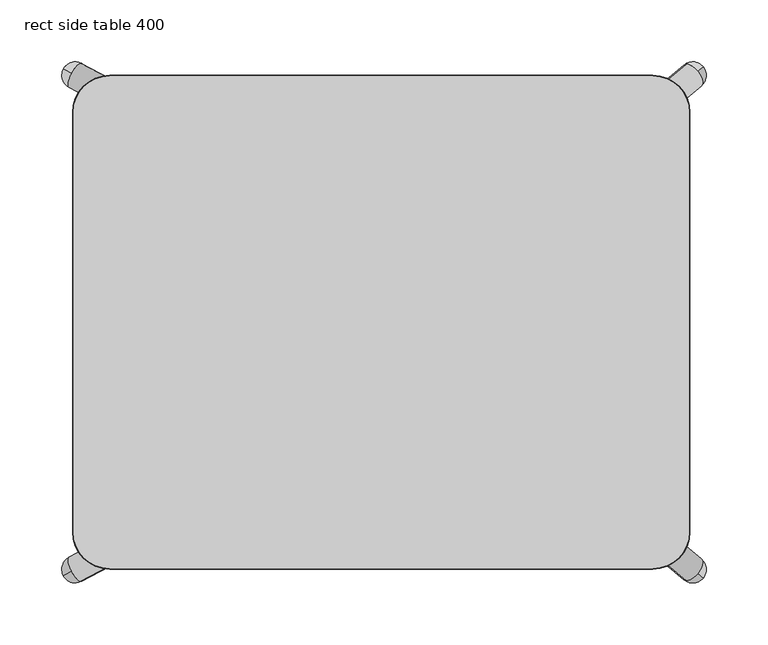
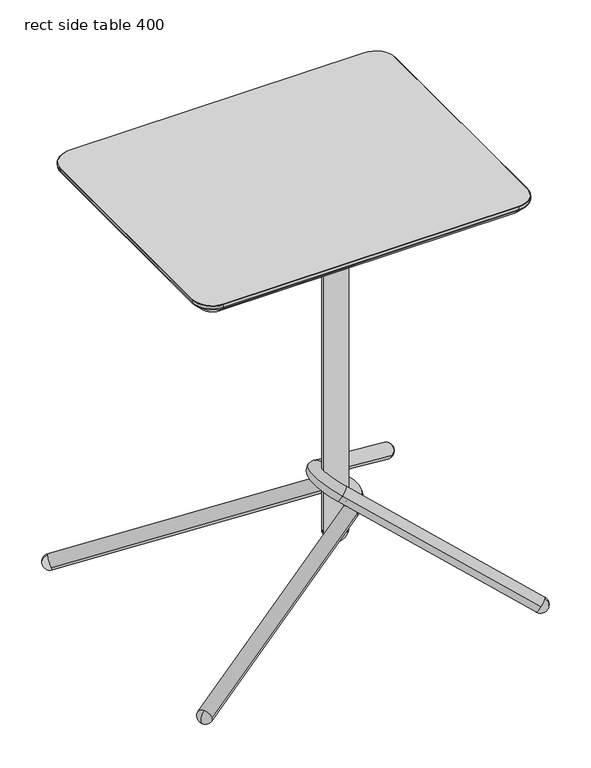
"""IFC4 building model written with IfcOpenShell, lengths in millimetres: furniture geometry, rect side table 400."""

from ifc_helpers import new_model, si_unit, point, frame, origin, place, context, project, spatial, polyline, circle_curve, ellipse_curve, trimmed, source, transform, mapped, element, save
from ifc_brep_helpers import plane_surface, cylinder_surface, revolved_surface, advanced_brep


def rect_side_table_400_bf187e21(model_context):
    return source(origin(), model_context, "Body", "AdvancedBrep", [
        advanced_brep(
        [(120.000041, 49.9999974, 631.9999893), (-39.999964, 49.9999974, 631.9999893), (-49.999964, 39.9999974, 631.9999893), (-49.999964, -40.0000034, 631.9999893), (-39.999964, -50.0000034, 631.9999893), (120.000041, -50.0000034, 631.9999893), (130.000041, -40.0000034, 631.9999893), (130.000041, 39.9999974, 631.9999893), (-47.4693331, 40.0000112, 631.9999893), (-32.5306167, 40.0000112, 631.9999893), (-47.4693331, -40.0000112, 631.9999893), (-32.5306167, -40.0000112, 631.9999893), (127.46941, 40.0000112, 631.9999893), (112.5306936, 40.0000112, 631.9999893), (127.46941, -40.0000112, 631.9999893), (112.5306936, -40.0000112, 631.9999893), (47.4693967, 40.0000112, 631.9999893), (32.5306803, 40.0000112, 631.9999893), (47.4693967, -40.0000112, 631.9999893), (32.5306803, -40.0000112, 631.9999893), (120.000041, 49.9999974, 627.0000038), (130.000041, 39.9999974, 627.0000038), (130.000041, -40.0000034, 627.0000038), (120.000041, -50.0000034, 627.0000038), (-39.999964, -50.0000034, 627.0000038), (-49.999964, -40.0000034, 627.0000038), (-49.999964, 39.9999974, 627.0000038), (-39.999964, 49.9999974, 627.0000038), (-47.4693331, 40.0000112, 627.0000038), (-32.5306167, 40.0000112, 627.0000038), (-47.4693331, -40.0000112, 627.0000038), (-32.5306167, -40.0000112, 627.0000038), (127.46941, 40.0000112, 627.0000038), (112.5306936, 40.0000112, 627.0000038), (127.46941, -40.0000112, 627.0000038), (112.5306936, -40.0000112, 627.0000038), (47.4693967, 40.0000112, 627.0000038), (32.5306803, 40.0000112, 627.0000038), (47.4693967, -40.0000112, 627.0000038), (32.5306803, -40.0000112, 627.0000038), (78.7484697, 0.0, 627.0000038), (43.7484682, 0.0, 627.0000038), (78.7484697, 0.0, 76.9999996), (43.7484682, 0.0, 76.9999996), (61.2484689, 0.0, 59.4999989)],
        [
            (0, 1),
            (1, 2, circle_curve(frame((-39.999964, 39.9999974, 631.9999893), z_axis=(0.0, 0.0, 1.0), x_axis=(1.0, 0.0, 0.0)), 10.0)),
            (2, 3),
            (3, 4, circle_curve(frame((-39.999964, -40.0000034, 631.9999893), z_axis=(0.0, 0.0, 1.0), x_axis=(1.0, 0.0, 0.0)), 10.0)),
            (4, 5),
            (5, 6, circle_curve(frame((120.000041, -40.0000034, 631.9999893), z_axis=(0.0, 0.0, 1.0), x_axis=(1.0, 0.0, 0.0)), 10.0)),
            (6, 7),
            (7, 0, circle_curve(frame((120.000041, 39.9999974, 631.9999893), z_axis=(0.0, 0.0, 1.0), x_axis=(1.0, 0.0, 0.0)), 10.0)),
            (8, 9, circle_curve(frame((-39.9999749, 40.0000112, 631.9999893), z_axis=(0.0, 0.0, -1.0), x_axis=(1.0, 0.0, 0.0)), 7.4693582)),
            (9, 8, circle_curve(frame((-39.9999749, 40.0000112, 631.9999893), z_axis=(0.0, 0.0, -1.0), x_axis=(1.0, 0.0, 0.0)), 7.4693582)),
            (10, 11, circle_curve(frame((-39.9999749, -40.0000112, 631.9999893), z_axis=(0.0, 0.0, -1.0), x_axis=(1.0, 0.0, 0.0)), 7.4693582)),
            (11, 10, circle_curve(frame((-39.9999749, -40.0000112, 631.9999893), z_axis=(0.0, 0.0, -1.0), x_axis=(1.0, 0.0, 0.0)), 7.4693582)),
            (12, 13, circle_curve(frame((120.0000518, 40.0000112, 631.9999893), z_axis=(0.0, 0.0, -1.0), x_axis=(-1.0, 0.0, 0.0)), 7.4693582)),
            (13, 12, circle_curve(frame((120.0000518, 40.0000112, 631.9999893), z_axis=(0.0, 0.0, -1.0), x_axis=(-1.0, 0.0, 0.0)), 7.4693582)),
            (14, 15, circle_curve(frame((120.0000518, -40.0000112, 631.9999893), z_axis=(0.0, 0.0, -1.0), x_axis=(-1.0, 0.0, 0.0)), 7.4693582)),
            (15, 14, circle_curve(frame((120.0000518, -40.0000112, 631.9999893), z_axis=(0.0, 0.0, -1.0), x_axis=(-1.0, 0.0, 0.0)), 7.4693582)),
            (16, 17, circle_curve(frame((40.0000385, 40.0000112, 631.9999893), z_axis=(0.0, 0.0, -1.0), x_axis=(-1.0, 0.0, 0.0)), 7.4693582)),
            (17, 16, circle_curve(frame((40.0000385, 40.0000112, 631.9999893), z_axis=(0.0, 0.0, -1.0), x_axis=(-1.0, 0.0, 0.0)), 7.4693582)),
            (18, 19, circle_curve(frame((40.0000385, -40.0000112, 631.9999893), z_axis=(0.0, 0.0, -1.0), x_axis=(-1.0, 0.0, 0.0)), 7.4693582)),
            (19, 18, circle_curve(frame((40.0000385, -40.0000112, 631.9999893), z_axis=(0.0, 0.0, -1.0), x_axis=(-1.0, 0.0, 0.0)), 7.4693582)),
            (20, 21, circle_curve(frame((120.000041, 39.9999974, 627.0000038), z_axis=(0.0, 0.0, -1.0), x_axis=(1.0, 0.0, 0.0)), 10.0)),
            (21, 22),
            (22, 23, circle_curve(frame((120.000041, -40.0000034, 627.0000038), z_axis=(0.0, 0.0, -1.0), x_axis=(1.0, 0.0, 0.0)), 10.0)),
            (23, 24),
            (24, 25, circle_curve(frame((-39.999964, -40.0000034, 627.0000038), z_axis=(0.0, 0.0, -1.0), x_axis=(1.0, 0.0, 0.0)), 10.0)),
            (25, 26),
            (26, 27, circle_curve(frame((-39.999964, 39.9999974, 627.0000038), z_axis=(0.0, 0.0, -1.0), x_axis=(1.0, 0.0, 0.0)), 10.0)),
            (27, 20),
            (28, 29, circle_curve(frame((-39.9999749, 40.0000112, 627.0000038), z_axis=(0.0, 0.0, 1.0), x_axis=(1.0, 0.0, 0.0)), 7.4693582)),
            (29, 28, circle_curve(frame((-39.9999749, 40.0000112, 627.0000038), z_axis=(0.0, 0.0, 1.0), x_axis=(1.0, 0.0, 0.0)), 7.4693582)),
            (30, 31, circle_curve(frame((-39.9999749, -40.0000112, 627.0000038), z_axis=(0.0, 0.0, 1.0), x_axis=(1.0, 0.0, 0.0)), 7.4693582)),
            (31, 30, circle_curve(frame((-39.9999749, -40.0000112, 627.0000038), z_axis=(0.0, 0.0, 1.0), x_axis=(1.0, 0.0, 0.0)), 7.4693582)),
            (32, 33, circle_curve(frame((120.0000518, 40.0000112, 627.0000038), z_axis=(0.0, 0.0, 1.0), x_axis=(-1.0, 0.0, 0.0)), 7.4693582)),
            (33, 32, circle_curve(frame((120.0000518, 40.0000112, 627.0000038), z_axis=(0.0, 0.0, 1.0), x_axis=(-1.0, 0.0, 0.0)), 7.4693582)),
            (34, 35, circle_curve(frame((120.0000518, -40.0000112, 627.0000038), z_axis=(0.0, 0.0, 1.0), x_axis=(-1.0, 0.0, 0.0)), 7.4693582)),
            (35, 34, circle_curve(frame((120.0000518, -40.0000112, 627.0000038), z_axis=(0.0, 0.0, 1.0), x_axis=(-1.0, 0.0, 0.0)), 7.4693582)),
            (36, 37, circle_curve(frame((40.0000385, 40.0000112, 627.0000038), z_axis=(0.0, 0.0, 1.0), x_axis=(-1.0, 0.0, 0.0)), 7.4693582)),
            (37, 36, circle_curve(frame((40.0000385, 40.0000112, 627.0000038), z_axis=(0.0, 0.0, 1.0), x_axis=(-1.0, 0.0, 0.0)), 7.4693582)),
            (38, 39, circle_curve(frame((40.0000385, -40.0000112, 627.0000038), z_axis=(0.0, 0.0, 1.0), x_axis=(-1.0, 0.0, 0.0)), 7.4693582)),
            (39, 38, circle_curve(frame((40.0000385, -40.0000112, 627.0000038), z_axis=(0.0, 0.0, 1.0), x_axis=(-1.0, 0.0, 0.0)), 7.4693582)),
            (40, 41, circle_curve(frame((61.2484689, 0.0, 627.0000038), z_axis=(0.0, 0.0, 1.0), x_axis=(-1.0, 0.0, 0.0)), 17.5000007)),
            (41, 40, circle_curve(frame((61.2484689, 0.0, 627.0000038), z_axis=(0.0, 0.0, 1.0), x_axis=(-1.0, 0.0, 0.0)), 17.5000007)),
            (0, 20),
            (27, 1),
            (26, 2),
            (25, 3),
            (24, 4),
            (23, 5),
            (22, 6),
            (21, 7),
            (8, 28),
            (29, 9),
            (10, 30),
            (31, 11),
            (12, 32),
            (33, 13),
            (14, 34),
            (35, 15),
            (16, 36),
            (37, 17),
            (18, 38),
            (39, 19),
            (42, 43, circle_curve(frame((61.2484689, 0.0, 76.9999996), z_axis=(0.0, 0.0, 1.0), x_axis=(-1.0, 0.0, 0.0)), 17.5000007)),
            (43, 41),
            (40, 42),
            (43, 42, circle_curve(frame((61.2484689, 0.0, 76.9999996), z_axis=(0.0, 0.0, 1.0), x_axis=(-1.0, 0.0, 0.0)), 17.5000007)),
            (42, 44, circle_curve(frame((61.2484689, 0.0, 76.9999996), z_axis=(0.0, 1.0, 0.0), x_axis=(-1.0, 0.0, 0.0)), 17.5000007)),
            (44, 43, circle_curve(frame((61.2484689, 0.0, 76.9999996), z_axis=(0.0, 1.0, 0.0), x_axis=(1.0, 0.0, 0.0)), 17.5000007)),
        ],
        [
            plane_surface(frame((-39.9999628, 49.9999974, 631.9999893), z_axis=(0.0, 0.0, 1.0), x_axis=(-1.0, 0.0, 0.0))),
            plane_surface(frame((-39.9999628, 49.9999974, 627.0000038), z_axis=(0.0, 0.0, -1.0), x_axis=(1.0, 0.0, 0.0))),
            plane_surface(frame((120.000041, 49.9999974, 631.9999893), z_axis=(0.0, 1.0, 0.0), x_axis=(0.0, 0.0, -1.0))),
            cylinder_surface(frame((-39.999964, 39.9999974, 627.0000038), z_axis=(0.0, 0.0, 1.0), x_axis=(1.0, 0.0, 0.0)), 10.0),
            plane_surface(frame((-49.999964, 39.9999974, 631.9999893), z_axis=(-1.0, 0.0, 0.0), x_axis=(0.0, 0.0, -1.0))),
            cylinder_surface(frame((-39.999964, -40.0000034, 627.0000038), z_axis=(0.0, 0.0, 1.0), x_axis=(1.0, 0.0, 0.0)), 10.0),
            plane_surface(frame((-39.999964, -50.0000034, 631.9999893), z_axis=(0.0, -1.0, 0.0), x_axis=(0.0, 0.0, -1.0))),
            cylinder_surface(frame((120.000041, -40.0000034, 627.0000038), z_axis=(0.0, 0.0, 1.0), x_axis=(1.0, 0.0, 0.0)), 10.0),
            plane_surface(frame((130.000041, -40.0000034, 631.9999893), z_axis=(1.0, 0.0, 0.0), x_axis=(0.0, 0.0, -1.0))),
            cylinder_surface(frame((120.000041, 39.9999974, 627.0000038), z_axis=(0.0, 0.0, 1.0), x_axis=(1.0, 0.0, 0.0)), 10.0),
            revolved_surface(polyline([(-32.530616699999996, 40.0000112, 627.0000038), (-32.530616699999996, 40.0000112, 631.9999893)]), (-39.9999749, 40.0000112, 0.0), (0.0, 0.0, -1.0)),
            revolved_surface(polyline([(-32.530616699999996, -40.0000112, 627.0000038), (-32.530616699999996, -40.0000112, 631.9999893)]), (-39.9999749, -40.0000112, 0.0), (0.0, 0.0, -1.0)),
            revolved_surface(polyline([(112.53069359999999, 40.0000112, 627.0000038), (112.53069359999999, 40.0000112, 631.9999893)]), (120.0000518, 40.0000112, 0.0), (0.0, 0.0, -1.0)),
            revolved_surface(polyline([(112.53069359999999, -40.0000112, 627.0000038), (112.53069359999999, -40.0000112, 631.9999893)]), (120.0000518, -40.0000112, 0.0), (0.0, 0.0, -1.0)),
            revolved_surface(polyline([(32.5306803, 40.0000112, 627.0000038), (32.5306803, 40.0000112, 631.9999893)]), (40.0000385, 40.0000112, 0.0), (0.0, 0.0, -1.0)),
            revolved_surface(polyline([(32.5306803, -40.0000112, 627.0000038), (32.5306803, -40.0000112, 631.9999893)]), (40.0000385, -40.0000112, 0.0), (0.0, 0.0, -1.0)),
            cylinder_surface(frame((61.2484689, 0.0, 68.2499992), z_axis=(0.0, 0.0, -1.0), x_axis=(-1.0, 0.0, 0.0)), 17.5000007),
            revolved_surface(trimmed(ellipse_curve(frame((61.2484689, 0.0, 76.9999996), z_axis=(0.0, -1.0, 0.0), x_axis=(1.0, 0.0, 0.0)), 17.5000007, 17.5000007), [point((43.7484682, 0.0, 76.9999996))], [point((61.2484689, 0.0, 59.4999989))], True, "CARTESIAN"), (61.2484689, 0.0, 68.2499992), (0.0, 0.0, -1.0)),
        ],
        [
            (0, [[1, 2, 3, 4, 5, 6, 7, 8], [9, 10], [11, 12], [13, 14], [15, 16], [17, 18], [19, 20]]),
            (1, [[21, 22, 23, 24, 25, 26, 27, 28], [29, 30], [31, 32], [33, 34], [35, 36], [37, 38], [39, 40], [41, 42]]),
            (2, [[-1, 43, -28, 44]]),
            (3, [[-2, -44, -27, 45]]),
            (4, [[-3, -45, -26, 46]]),
            (5, [[-4, -46, -25, 47]]),
            (6, [[-5, -47, -24, 48]]),
            (7, [[-6, -48, -23, 49]]),
            (8, [[-7, -49, -22, 50]]),
            (9, [[-8, -50, -21, -43]]),
            (10, [[-9, 51, -30, 52]]),
            (10, [[-10, -52, -29, -51]]),
            (11, [[-11, 53, -32, 54]]),
            (11, [[-12, -54, -31, -53]]),
            (12, [[-13, 55, -34, 56]]),
            (12, [[-14, -56, -33, -55]]),
            (13, [[-15, 57, -36, 58]]),
            (13, [[-16, -58, -35, -57]]),
            (14, [[-17, 59, -38, 60]]),
            (14, [[-18, -60, -37, -59]]),
            (15, [[-19, 61, -40, 62]]),
            (15, [[-20, -62, -39, -61]]),
            (16, [[63, 64, -41, 65]]),
            (16, [[66, -65, -42, -64]]),
            (17, [[-63, 67, 68]]),
            (17, [[-66, -68, -67]]),
        ],
    ),
        advanced_brep(
        [(58.7468351, 25.9816516, 122.5540056), (67.9302472, 45.69187, 125.8964943), (-243.1827803, 209.8487928, 12.6606128), (-250.7555988, 201.5666496, 21.4602207), (-252.3661924, 190.1385743, 9.3181241), (-244.7933739, 198.4207175, 0.5185162), (58.7468351, -25.9816516, 122.5540056), (67.9302472, -45.69187, 125.8964943), (-252.3661924, -190.1385743, 9.3181241), (-250.7555988, -201.5666496, 21.4602207), (-243.1827803, -209.8487928, 12.6606128), (-244.7933739, -198.4207175, 0.5185162), (-257.0352597, 204.8800751, 7.6187226), (-257.0352597, -204.8800751, 7.6187226)],
        [
            (0, 1, circle_curve(frame((63.3385411, 35.8367608, 124.22525), z_axis=(-0.8418884918336852, 0.4442174127144383, -0.3064223515987259), x_axis=(0.41742782475236617, 0.8959190199126763, 0.15193130316434977)), 11.0)),
            (1, 2),
            (2, 3, circle_curve(frame((-247.7744863, 199.9936836, 10.9893685), z_axis=(0.8418884918336852, -0.4442174127144383, 0.3064223515987259), x_axis=(0.41742782475236617, 0.8959190199126763, 0.15193130316434977)), 11.0)),
            (3, 4, circle_curve(frame((-247.7744863, 199.9936836, 10.9893685), z_axis=(0.8418884918336852, -0.4442174127144383, 0.3064223515987259), x_axis=(0.41742782475236617, 0.8959190199126763, 0.15193130316434977)), 11.0)),
            (4, 0),
            (1, 0, circle_curve(frame((63.3385411, 35.8367608, 124.22525), z_axis=(-0.8418884918336852, 0.4442174127144383, -0.3064223515987259), x_axis=(0.41742782475236617, 0.8959190199126763, 0.15193130316434977)), 11.0)),
            (4, 5, circle_curve(frame((-247.7744863, 199.9936836, 10.9893685), z_axis=(0.8418884918336852, -0.4442174127144383, 0.3064223515987259), x_axis=(0.41742782475236617, 0.8959190199126763, 0.15193130316434977)), 11.0)),
            (5, 2, circle_curve(frame((-247.7744863, 199.9936836, 10.9893685), z_axis=(0.8418884918336852, -0.4442174127144383, 0.3064223515987259), x_axis=(0.41742782475236617, 0.8959190199126763, 0.15193130316434977)), 11.0)),
            (0, 6, circle_curve(frame((46.6414281, 0.0, 118.1479978), z_axis=(0.3420201433256684, 0.0, -0.9396926207859085), x_axis=(0.4174278247523651, 0.8959190199126768, 0.1519313031643494)), 29.0)),
            (6, 7, circle_curve(frame((63.3385411, -35.8367608, 124.22525), z_axis=(0.8418884918336889, 0.4442174127144305, 0.30642235159872766), x_axis=(0.41742782475235873, -0.8959190199126802, 0.15193130316434714)), 11.0)),
            (7, 1, circle_curve(frame((46.6414281, 0.0, 118.1479978), z_axis=(-0.3420201433256684, 0.0, 0.9396926207859085), x_axis=(0.4174278247523651, 0.8959190199126768, 0.1519313031643494)), 51.0)),
            (7, 6, circle_curve(frame((63.3385411, -35.8367608, 124.22525), z_axis=(0.841888491833687, 0.44421741271443393, 0.306422351598727), x_axis=(0.417427824752362, -0.8959190199126783, 0.1519313031643483)), 11.0)),
            (6, 8),
            (8, 9, circle_curve(frame((-247.7744863, -199.9936836, 10.9893685), z_axis=(0.8418884918336853, 0.44421741271443815, 0.3064223515987258), x_axis=(0.41742782475236606, -0.8959190199126764, 0.15193130316434972)), 11.0)),
            (9, 10, circle_curve(frame((-247.7744863, -199.9936836, 10.9893685), z_axis=(0.8418884918336853, 0.44421741271443815, 0.3064223515987258), x_axis=(0.41742782475236606, -0.8959190199126764, 0.15193130316434972)), 11.0)),
            (10, 7),
            (10, 11, circle_curve(frame((-247.7744863, -199.9936836, 10.9893685), z_axis=(0.8418884918336853, 0.44421741271443815, 0.3064223515987258), x_axis=(0.41742782475236606, -0.8959190199126764, 0.15193130316434972)), 11.0)),
            (11, 8, circle_curve(frame((-247.7744863, -199.9936836, 10.9893685), z_axis=(0.8418884918336853, 0.44421741271443815, 0.3064223515987258), x_axis=(0.41742782475236606, -0.8959190199126764, 0.15193130316434972)), 11.0)),
            (12, 5, circle_curve(frame((-247.7744863, 199.9936836, 10.9893685), z_axis=(-0.4666660776258308, -0.8844335882322211, 0.0), x_axis=(0.8418884918336792, -0.44421741271453985, 0.30642235159859543)), 11.0)),
            (3, 12, circle_curve(frame((-247.7744863, 199.9936836, 10.9893685), z_axis=(-0.46666607762566853, -0.8844335882323068, 0.0), x_axis=(0.8418884918336927, -0.44421741271433024, 0.3064223515988622)), 11.0)),
            (11, 13, circle_curve(frame((-247.7744863, -199.9936836, 10.9893685), z_axis=(-0.4666660776258308, 0.8844335882322211, 0.0), x_axis=(0.8418884918336792, 0.44421741271453985, 0.30642235159859543)), 11.0)),
            (13, 9, circle_curve(frame((-247.7744863, -199.9936836, 10.9893685), z_axis=(-0.46666607762566853, 0.8844335882323068, 0.0), x_axis=(0.8418884918336927, 0.44421741271433024, 0.3064223515988622)), 11.0)),
        ],
        [
            cylinder_surface(frame((-277.9675281, 215.9248609, 0.0), z_axis=(-0.8418884918336854, 0.44421741271443843, -0.30642235159872594), x_axis=(0.41742782475236617, 0.8959190199126763, 0.15193130316434977)), 11.0),
            revolved_surface(trimmed(ellipse_curve(frame((63.3385411, 35.8367608, 124.22525), z_axis=(-0.8418884918336861, 0.444217412714437, -0.30642235159872566), x_axis=(0.41742782475236484, 0.8959190199126769, 0.15193130316434933)), 11.0, 11.0), [point((58.7468351, 25.9816516, 122.5540056))], [point((67.9302472, 45.69187, 125.8964943))], True, "CARTESIAN"), (46.6414281, 0.0, 118.1479978), (0.3420201433256684, 0.0, -0.9396926207859085)),
            revolved_surface(trimmed(ellipse_curve(frame((63.3385411, 35.8367608, 124.22525), z_axis=(-0.8418884918336861, 0.444217412714437, -0.30642235159872566), x_axis=(0.41742782475236484, 0.8959190199126769, 0.15193130316434933)), 11.0, 11.0), [point((67.9302472, 45.69187, 125.8964943))], [point((58.7468351, 25.9816516, 122.5540056))], True, "CARTESIAN"), (46.6414281, 0.0, 118.1479978), (0.3420201433256684, 0.0, -0.9396926207859085)),
            cylinder_surface(frame((63.3385411, -35.8367608, 124.22525), z_axis=(0.8418884918336855, 0.44421741271443826, 0.30642235159872583), x_axis=(0.41742782475236606, -0.8959190199126764, 0.15193130316434972)), 11.0),
            revolved_surface(trimmed(ellipse_curve(frame((-247.7744863, 199.9936836, 10.9893685), z_axis=(0.46666607762566853, 0.8844335882323068, 0.0), x_axis=(0.8418884918336927, -0.44421741271433024, 0.3064223515988622)), 11.0, 11.0), [point((-257.0352597, 204.8800751, 7.6187226))], [point((-250.7555988, 201.5666496, 21.4602207))], True, "CARTESIAN"), (-251.664601, 202.0462792, 9.5734825), (0.841888491833686, -0.44421741271443504, 0.3064223515987288)),
            revolved_surface(trimmed(ellipse_curve(frame((-247.7744863, 199.9936836, 10.9893685), z_axis=(0.46666607762566586, 0.8844335882323081, 0.0), x_axis=(0.8418884918336942, -0.4442174127143274, 0.3064223515988622)), 11.0, 11.0), [point((-257.0352597, 204.8800751, 7.6187226))], [point((-250.7555988, 201.5666496, 21.4602207))], True, "CARTESIAN"), (-251.664601, 202.0462792, 9.5734825), (0.841888491833686, -0.44421741271443504, 0.3064223515987288)),
            revolved_surface(trimmed(ellipse_curve(frame((-247.7744863, -199.9936836, 10.9893685), z_axis=(0.46666607762566853, -0.8844335882323068, 0.0), x_axis=(0.8418884918336927, 0.44421741271433024, 0.3064223515988622)), 11.0, 11.0), [point((-250.7555988, -201.5666496, 21.4602207))], [point((-257.0352597, -204.8800751, 7.6187226))], True, "CARTESIAN"), (-251.664601, -202.0462792, 9.5734825), (-0.841888491833686, -0.44421741271443504, -0.3064223515987288)),
            revolved_surface(trimmed(ellipse_curve(frame((-247.7744863, -199.9936836, 10.9893685), z_axis=(0.46666607762566586, -0.8844335882323081, 0.0), x_axis=(0.8418884918336942, 0.4442174127143274, 0.3064223515988622)), 11.0, 11.0), [point((-250.7555988, -201.5666496, 21.4602207))], [point((-257.0352597, -204.8800751, 7.6187226))], True, "CARTESIAN"), (-251.664601, -202.0462792, 9.5734825), (-0.841888491833686, -0.44421741271443504, -0.3064223515987288)),
        ],
        [
            (0, [[1, 2, 3, 4, 5]]),
            (0, [[6, -5, 7, 8, -2]]),
            (1, [[-1, 9, 10, 11]]),
            (2, [[-6, -11, 12, -9]]),
            (3, [[-10, 13, 14, 15, 16]]),
            (3, [[-12, -16, 17, 18, -13]]),
            (4, [[19, -7, -4, 20]]),
            (5, [[-19, -20, -3, -8]]),
            (6, [[21, 22, -14, -18]]),
            (7, [[-21, -17, -15, -22]]),
        ],
    ),
        advanced_brep(
        [(57.5144405, 23.9910848, 150.6373501), (47.4708105, 42.1912168, 157.8401753), (247.2031924, 209.1000136, 14.6013824), (248.155534, 196.5992426, 1.3628234), (257.2468224, 190.8998816, 7.3985572), (256.2944809, 203.4006527, 20.6371162), (57.5144414, -23.9910822, 150.6373494), (47.4708121, -42.1912148, 157.8401741), (257.2468303, -190.8998679, 7.3985515), (248.1555419, -196.5992292, 1.3628176), (247.203201, -209.1000005, 14.6013763), (256.2944894, -203.4006392, 20.6371102), (259.6200001, -206.1796424, 5.6966243), (259.6199917, 206.1796563, 5.6966303)],
        [
            (0, 1, circle_curve(frame((52.4926255, 33.0911508, 154.2387627), z_axis=(0.6722712955826541, 0.5617916936357265, -0.4821217668779558), x_axis=(-0.45652863681473854, 0.8272787274926765, 0.3274011466170734)), 11.0)),
            (1, 2),
            (2, 3, circle_curve(frame((252.2250074, 199.9999476, 10.9999698), z_axis=(-0.6722712955826541, -0.5617916936357265, 0.4821217668779558), x_axis=(-0.45652863681473854, 0.8272787274926765, 0.3274011466170734)), 11.0)),
            (3, 4, circle_curve(frame((252.2250074, 199.9999476, 10.9999698), z_axis=(-0.6722712955826541, -0.5617916936357265, 0.4821217668779558), x_axis=(-0.45652863681473854, 0.8272787274926765, 0.3274011466170734)), 11.0)),
            (4, 0),
            (1, 0, circle_curve(frame((52.4926255, 33.0911508, 154.2387627), z_axis=(0.6722712955826541, 0.5617916936357265, -0.4821217668779558), x_axis=(-0.45652863681473854, 0.8272787274926765, 0.3274011466170734)), 11.0)),
            (4, 5, circle_curve(frame((252.2250074, 199.9999476, 10.9999698), z_axis=(-0.6722712955826541, -0.5617916936357265, 0.4821217668779558), x_axis=(-0.45652863681473854, 0.8272787274926765, 0.3274011466170734)), 11.0)),
            (5, 2, circle_curve(frame((252.2250074, 199.9999476, 10.9999698), z_axis=(-0.6722712955826541, -0.5617916936357265, 0.4821217668779558), x_axis=(-0.45652863681473854, 0.8272787274926765, 0.3274011466170734)), 11.0)),
            (0, 6, circle_curve(frame((70.753771, 1.7e-06, 141.1427168), z_axis=(0.5827803264556007, 0.0, 0.8126297380088324), x_axis=(-0.45652863681474215, 0.8272787274926735, 0.32740114661707603)), 29.0)),
            (6, 7, circle_curve(frame((52.4926268, -33.0911485, 154.2387618), z_axis=(-0.6722713171214564, 0.5617916546051102, 0.48212178232458525), x_axis=(-0.4565286050972992, -0.8272787539977398, 0.3274011238707981)), 11.0)),
            (7, 1, circle_curve(frame((70.753771, 1.7e-06, 141.1427168), z_axis=(-0.5827803264556007, 0.0, -0.8126297380088324), x_axis=(-0.45652863681474215, 0.8272787274926735, 0.32740114661707603)), 51.0)),
            (7, 6, circle_curve(frame((52.4926268, -33.0911485, 154.2387618), z_axis=(-0.6722713171214549, 0.5617916546051127, 0.48212178232458425), x_axis=(-0.4565286050973013, -0.8272787539977379, 0.32740112387079956)), 11.0)),
            (6, 8),
            (8, 9, circle_curve(frame((252.2250156, -199.9999342, 10.9999639), z_axis=(-0.6722713171214557, 0.5617916546051115, 0.4821217823245848), x_axis=(-0.4565286050973002, -0.8272787539977388, 0.32740112387079884)), 11.0)),
            (9, 10, circle_curve(frame((252.2250156, -199.9999342, 10.9999639), z_axis=(-0.6722713171214557, 0.5617916546051115, 0.4821217823245848), x_axis=(-0.4565286050973002, -0.8272787539977388, 0.32740112387079884)), 11.0)),
            (10, 7),
            (10, 11, circle_curve(frame((252.2250156, -199.9999342, 10.9999639), z_axis=(-0.6722713171214557, 0.5617916546051115, 0.4821217823245848), x_axis=(-0.4565286050973002, -0.8272787539977388, 0.32740112387079884)), 11.0)),
            (11, 8, circle_curve(frame((252.2250156, -199.9999342, 10.9999639), z_axis=(-0.6722713171214557, 0.5617916546051115, 0.4821217823245848), x_axis=(-0.4565286050973002, -0.8272787539977388, 0.32740112387079884)), 11.0)),
            (9, 12, circle_curve(frame((252.2250156, -199.9999342, 10.9999639), z_axis=(-0.6412383916308873, -0.767341726415704, 0.0), x_axis=(0.6722713171215189, -0.5617916546050328, -0.48212178232458835)), 11.0)),
            (12, 11, circle_curve(frame((252.2250156, -199.9999342, 10.9999639), z_axis=(-0.6412383916310288, -0.7673417264155857, 0.0), x_axis=(0.6722713171213788, -0.5617916546051875, -0.4821217823246031)), 11.0)),
            (13, 3, circle_curve(frame((252.2250074, 199.9999476, 10.9999698), z_axis=(-0.6412384299595647, 0.7673416943858795, 0.0), x_axis=(0.3699521735068246, 0.30915503827734025, 0.8761041899370832)), 11.0)),
            (5, 13, circle_curve(frame((252.2250074, 199.9999476, 10.9999698), z_axis=(-0.6412384299596456, 0.7673416943858119, 0.0), x_axis=(-0.36995209348604097, -0.30915497140700227, -0.8761042473242733)), 11.0)),
        ],
        [
            cylinder_surface(frame((267.5633813, 212.8176466, 0.0), z_axis=(0.6722712955826541, 0.5617916936357265, -0.4821217668779558), x_axis=(-0.45652863681473854, 0.8272787274926765, 0.3274011466170734)), 11.0),
            revolved_surface(trimmed(ellipse_curve(frame((52.4926255, 33.0911508, 154.2387627), z_axis=(0.6722712955826515, 0.5617916936357309, -0.4821217668779542), x_axis=(-0.4565286368147422, 0.8272787274926735, 0.3274011466170759)), 11.0, 11.0), [point((57.5144405, 23.9910848, 150.6373501))], [point((47.4708105, 42.1912168, 157.8401753))], True, "CARTESIAN"), (70.753771, 1.7e-06, 141.1427168), (0.5827803264556007, 0.0, 0.8126297380088324)),
            revolved_surface(trimmed(ellipse_curve(frame((52.4926255, 33.0911508, 154.2387627), z_axis=(0.6722712955826515, 0.5617916936357309, -0.4821217668779542), x_axis=(-0.4565286368147422, 0.8272787274926735, 0.3274011466170759)), 11.0, 11.0), [point((47.4708105, 42.1912168, 157.8401753))], [point((57.5144405, 23.9910848, 150.6373501))], True, "CARTESIAN"), (70.753771, 1.7e-06, 141.1427168), (0.5827803264556007, 0.0, 0.8126297380088324)),
            cylinder_surface(frame((52.4926268, -33.0911485, 154.2387618), z_axis=(-0.6722713171214557, 0.5617916546051115, 0.4821217823245848), x_axis=(-0.4565286050973002, -0.8272787539977388, 0.32740112387079884)), 11.0),
            revolved_surface(trimmed(ellipse_curve(frame((252.2250156, -199.9999342, 10.9999639), z_axis=(0.6412383916310288, 0.7673417264155857, 0.0), x_axis=(0.6722713171213788, -0.5617916546051875, -0.4821217823246031)), 11.0, 11.0), [point((256.2944894, -203.4006392, 20.6371102))], [point((259.6200001, -206.1796424, 5.6966243))], True, "CARTESIAN"), (265.0520868, -210.7190313, 1.8009838), (0.6722713171214488, -0.5617916546051102, -0.48212178232459574)),
            revolved_surface(trimmed(ellipse_curve(frame((252.2250156, -199.9999342, 10.9999639), z_axis=(0.641238391631031, 0.7673417264155838, 0.0), x_axis=(0.6722713171213767, -0.5617916546051902, -0.4821217823246031)), 11.0, 11.0), [point((256.2944894, -203.4006392, 20.6371102))], [point((259.6200001, -206.1796424, 5.6966243))], True, "CARTESIAN"), (265.0520868, -210.7190313, 1.8009838), (0.6722713171214488, -0.5617916546051102, -0.48212178232459574)),
            revolved_surface(trimmed(ellipse_curve(frame((252.2250074, 199.9999476, 10.9999698), z_axis=(0.6412384299596456, -0.7673416943858119, 0.0), x_axis=(-0.36995209348604097, -0.30915497140700227, -0.8761042473242733)), 11.0, 11.0), [point((259.6199917, 206.1796563, 5.6966303))], [point((256.2944809, 203.4006527, 20.6371162))], True, "CARTESIAN"), (267.5633813, 212.8176466, 0.0), (-0.6722712955826509, -0.5617916936357265, 0.48212176687796016)),
            revolved_surface(trimmed(ellipse_curve(frame((252.2250074, 199.9999476, 10.9999698), z_axis=(0.641238429959647, -0.7673416943858108, 0.0), x_axis=(-0.36995209348604097, -0.30915497140700227, -0.8761042473242733)), 11.0, 11.0), [point((259.6199917, 206.1796563, 5.6966303))], [point((256.2944809, 203.4006527, 20.6371162))], True, "CARTESIAN"), (267.5633813, 212.8176466, 0.0), (-0.6722712955826509, -0.5617916936357265, 0.48212176687796016)),
        ],
        [
            (0, [[1, 2, 3, 4, 5]]),
            (0, [[6, -5, 7, 8, -2]]),
            (1, [[-1, 9, 10, 11]]),
            (2, [[-6, -11, 12, -9]]),
            (3, [[-10, 13, 14, 15, 16]]),
            (3, [[-12, -16, 17, 18, -13]]),
            (4, [[19, 20, -17, -15]]),
            (5, [[-19, -14, -18, -20]]),
            (6, [[21, -3, -8, 22]]),
            (7, [[-21, -22, -7, -4]]),
        ],
    ),
        advanced_brep(
        [(-220.0, 199.4417767, 650.0), (-249.4417767, 170.0, 650.0), (-249.4417767, -170.0, 650.0), (-220.0, -199.4417767, 650.0), (220.0, -199.4417767, 650.0), (249.4417767, -170.0, 650.0), (249.4417767, 170.0, 650.0), (220.0, 199.4417767, 650.0), (-237.9999573, 170.0, 631.9999893), (-220.0, 187.9999573, 631.9999893), (220.0, 187.9999573, 631.9999893), (237.9999573, 170.0, 631.9999893), (237.9999573, -170.0, 631.9999893), (220.0, -187.9999573, 631.9999893), (-220.0, -187.9999573, 631.9999893), (-237.9999573, -170.0, 631.9999893), (-250.0, 170.0, 649.4417767), (-220.0, 200.0, 649.4417767), (-249.3493468, 170.0, 643.3493788), (-220.0, 199.3493468, 643.3493788), (-250.0, -170.0, 649.4417767), (-249.3493468, -170.0, 643.3493788), (-220.0, -200.0, 649.4417767), (-220.0, -199.3493468, 643.3493788), (220.0, -200.0, 649.4417767), (220.0, -199.3493468, 643.3493788), (250.0, -170.0, 649.4417767), (249.3493468, -170.0, 643.3493788), (250.0, 170.0, 649.4417767), (249.3493468, 170.0, 643.3493788), (220.0, 200.0, 649.4417767), (220.0, 199.3493468, 643.3493788), (-250.0, 170.0, 644.9201946), (-220.0, 200.0, 644.9201946), (-250.0, -170.0, 644.9201946), (-220.0, -200.0, 644.9201946), (220.0, -200.0, 644.9201946), (250.0, -170.0, 644.9201946), (250.0, 170.0, 644.9201946), (220.0, 200.0, 644.9201946)],
        [
            (0, 1, circle_curve(frame((-220.0, 170.0, 650.0), z_axis=(0.0, 0.0, 1.0), x_axis=(0.0, 1.0, 0.0)), 29.4417767)),
            (1, 2),
            (2, 3, circle_curve(frame((-220.0, -170.0, 650.0), z_axis=(0.0, 0.0, 1.0), x_axis=(-1.0, 0.0, 0.0)), 29.4417767)),
            (3, 4),
            (4, 5, circle_curve(frame((220.0, -170.0, 650.0), z_axis=(0.0, 0.0, 1.0), x_axis=(0.0, -1.0, 0.0)), 29.4417767)),
            (5, 6),
            (6, 7, circle_curve(frame((220.0, 170.0, 650.0), z_axis=(0.0, 0.0, 1.0), x_axis=(1.0, 0.0, 0.0)), 29.4417767)),
            (7, 0),
            (8, 9, circle_curve(frame((-220.0, 170.0, 631.9999893), z_axis=(0.0, 0.0, -1.0), x_axis=(0.0, 1.0, 0.0)), 17.9999573)),
            (9, 10),
            (10, 11, circle_curve(frame((220.0, 170.0, 631.9999893), z_axis=(0.0, 0.0, -1.0), x_axis=(1.0, 0.0, 0.0)), 17.9999573)),
            (11, 12),
            (12, 13, circle_curve(frame((220.0, -170.0, 631.9999893), z_axis=(0.0, 0.0, -1.0), x_axis=(0.0, -1.0, 0.0)), 17.9999573)),
            (13, 14),
            (14, 15, circle_curve(frame((-220.0, -170.0, 631.9999893), z_axis=(0.0, 0.0, -1.0), x_axis=(-1.0, 0.0, 0.0)), 17.9999573)),
            (15, 8),
            (16, 1),
            (0, 17),
            (17, 16, circle_curve(frame((-220.0, 170.0, 649.4417767), z_axis=(0.0, 0.0, 1.0), x_axis=(0.0, 1.0, 0.0)), 30.0)),
            (8, 18),
            (18, 19, circle_curve(frame((-220.0, 170.0, 643.3493788), z_axis=(0.0, 0.0, -1.0), x_axis=(0.0, 1.0, 0.0)), 29.3493468)),
            (19, 9),
            (16, 20),
            (20, 2),
            (15, 21),
            (21, 18),
            (20, 22, circle_curve(frame((-220.0, -170.0, 649.4417767), z_axis=(0.0, 0.0, 1.0), x_axis=(-1.0, 0.0, 0.0)), 30.0)),
            (22, 3),
            (14, 23),
            (23, 21, circle_curve(frame((-220.0, -170.0, 643.3493788), z_axis=(0.0, 0.0, -1.0), x_axis=(-1.0, 0.0, 0.0)), 29.3493468)),
            (22, 24),
            (24, 4),
            (13, 25),
            (25, 23),
            (24, 26, circle_curve(frame((220.0, -170.0, 649.4417767), z_axis=(0.0, 0.0, 1.0), x_axis=(0.0, -1.0, 0.0)), 30.0)),
            (26, 5),
            (12, 27),
            (27, 25, circle_curve(frame((220.0, -170.0, 643.3493788), z_axis=(0.0, 0.0, -1.0), x_axis=(0.0, -1.0, 0.0)), 29.3493468)),
            (26, 28),
            (28, 6),
            (11, 29),
            (29, 27),
            (28, 30, circle_curve(frame((220.0, 170.0, 649.4417767), z_axis=(0.0, 0.0, 1.0), x_axis=(1.0, 0.0, 0.0)), 30.0)),
            (30, 7),
            (10, 31),
            (31, 29, circle_curve(frame((220.0, 170.0, 643.3493788), z_axis=(0.0, 0.0, -1.0), x_axis=(1.0, 0.0, 0.0)), 29.3493468)),
            (30, 17),
            (19, 31),
            (18, 32, circle_curve(frame((-247.778531, 170.0, 644.9201946), z_axis=(0.0, 1.0, 0.0), x_axis=(1.0, 0.0, 0.0)), 2.221469)),
            (32, 33, circle_curve(frame((-220.0, 170.0, 644.9201946), z_axis=(0.0, 0.0, -1.0), x_axis=(0.0, 1.0, 0.0)), 30.0)),
            (33, 19, circle_curve(frame((-220.0, 197.778531, 644.9201946), z_axis=(-1.0, 0.0, 0.0), x_axis=(0.0, -1.0, 0.0)), 2.221469)),
            (21, 34, circle_curve(frame((-247.778531, -170.0, 644.9201946), z_axis=(0.0, 1.0, 0.0), x_axis=(1.0, 0.0, 0.0)), 2.221469)),
            (34, 32),
            (23, 35, circle_curve(frame((-220.0, -197.778531, 644.9201946), z_axis=(-1.0, 0.0, 0.0), x_axis=(0.0, 1.0, 0.0)), 2.221469)),
            (35, 34, circle_curve(frame((-220.0, -170.0, 644.9201946), z_axis=(0.0, 0.0, -1.0), x_axis=(-1.0, 0.0, 0.0)), 30.0)),
            (25, 36, circle_curve(frame((220.0, -197.778531, 644.9201946), z_axis=(-1.0, 0.0, 0.0), x_axis=(0.0, 1.0, 0.0)), 2.221469)),
            (36, 35),
            (27, 37, circle_curve(frame((247.778531, -170.0, 644.9201946), z_axis=(0.0, -1.0, 0.0), x_axis=(-1.0, 0.0, 0.0)), 2.221469)),
            (37, 36, circle_curve(frame((220.0, -170.0, 644.9201946), z_axis=(0.0, 0.0, -1.0), x_axis=(0.0, -1.0, 0.0)), 30.0)),
            (29, 38, circle_curve(frame((247.778531, 170.0, 644.9201946), z_axis=(0.0, -1.0, 0.0), x_axis=(-1.0, 0.0, 0.0)), 2.221469)),
            (38, 37),
            (31, 39, circle_curve(frame((220.0, 197.778531, 644.9201946), z_axis=(1.0, 0.0, 0.0), x_axis=(0.0, -1.0, 0.0)), 2.221469)),
            (39, 38, circle_curve(frame((220.0, 170.0, 644.9201946), z_axis=(0.0, 0.0, -1.0), x_axis=(1.0, 0.0, 0.0)), 30.0)),
            (33, 39),
            (22, 35),
            (36, 24),
            (37, 26),
            (38, 28),
            (39, 30),
            (33, 17),
            (32, 16),
            (34, 20),
        ],
        [
            plane_surface(frame((2000.0, -200.0, 650.0), z_axis=(0.0, 0.0, 1.0), x_axis=(1.0, 0.0, 0.0))),
            plane_surface(frame((2000.0, -200.0, 631.9999893), z_axis=(0.0, 0.0, -1.0), x_axis=(-1.0, 0.0, 0.0))),
            revolved_surface(polyline([(-220.0, 200.0, 649.4417767), (-220.0, 199.4417767, 650.0)]), (-220.0, 170.0, 0.0), (0.0, 0.0, 1.0)),
            revolved_surface(polyline([(-220.0, 187.9999573, 631.9999893), (-220.0, 199.3493468, 643.3493788)]), (-220.0, 170.0, 0.0), (0.0, 0.0, 1.0)),
            plane_surface(frame((-249.4417767, 170.0, 650.0), z_axis=(-0.7071067811865476, 0.0, 0.7071067811865476), x_axis=(0.0, -1.0, 0.0))),
            plane_surface(frame((-249.3493468, 170.0, 643.3493788), z_axis=(-0.7071067811865486, 0.0, -0.7071067811865466), x_axis=(0.0, -1.0, 0.0))),
            revolved_surface(polyline([(-250.0, -170.0, 649.4417767), (-249.4417767, -170.0, 650.0)]), (-220.0, -170.0, 0.0), (0.0, 0.0, 1.0)),
            revolved_surface(polyline([(-237.9999573, -170.0, 631.9999893), (-249.3493468, -170.0, 643.3493788)]), (-220.0, -170.0, 0.0), (0.0, 0.0, 1.0)),
            plane_surface(frame((-220.0, -199.4417767, 650.0), z_axis=(0.0, -0.7071067811865476, 0.7071067811865476), x_axis=(1.0, 0.0, 0.0))),
            plane_surface(frame((-220.0, -199.3493468, 643.3493788), z_axis=(0.0, -0.7071067811865486, -0.7071067811865466), x_axis=(1.0, 0.0, 0.0))),
            revolved_surface(polyline([(220.0, -200.0, 649.4417767), (220.0, -199.4417767, 650.0)]), (220.0, -170.0, 0.0), (0.0, 0.0, 1.0)),
            revolved_surface(polyline([(220.0, -187.9999573, 631.9999893), (220.0, -199.3493468, 643.3493788)]), (220.0, -170.0, 0.0), (0.0, 0.0, 1.0)),
            plane_surface(frame((249.4417767, -170.0, 650.0), z_axis=(0.7071067811865476, 0.0, 0.7071067811865476), x_axis=(0.0, 1.0, 0.0))),
            plane_surface(frame((249.3493468, -170.0, 643.3493788), z_axis=(0.7071067811865486, 0.0, -0.7071067811865466), x_axis=(0.0, 1.0, 0.0))),
            revolved_surface(polyline([(250.0, 170.0, 649.4417767), (249.4417767, 170.0, 650.0)]), (220.0, 170.0, 0.0), (0.0, 0.0, 1.0)),
            revolved_surface(polyline([(237.9999573, 170.0, 631.9999893), (249.3493468, 170.0, 643.3493788)]), (220.0, 170.0, 0.0), (0.0, 0.0, 1.0)),
            plane_surface(frame((220.0, 199.4417767, 650.0), z_axis=(0.0, 0.7071067811865476, 0.7071067811865476), x_axis=(-1.0, 0.0, 0.0))),
            plane_surface(frame((220.0, 199.3493468, 643.3493788), z_axis=(0.0, 0.7071067811865486, -0.7071067811865466), x_axis=(-1.0, 0.0, 0.0))),
            revolved_surface(trimmed(ellipse_curve(frame((-220.0, 197.778531, 644.9201946), z_axis=(1.0, 0.0, 0.0), x_axis=(0.0, -1.0, 0.0)), 2.221469, 2.221469), [point((-220.0, 199.3493468, 643.3493788))], [point((-220.0, 200.0, 644.9201946))], True, "CARTESIAN"), (-220.0, 170.0, 0.0), (0.0, 0.0, 1.0)),
            cylinder_surface(frame((-247.778531, 170.0, 644.9201946), z_axis=(0.0, -1.0, 0.0), x_axis=(1.0, 0.0, 0.0)), 2.221469),
            revolved_surface(trimmed(ellipse_curve(frame((-247.778531, -170.0, 644.9201946), z_axis=(0.0, 1.0, 0.0), x_axis=(1.0, 0.0, 0.0)), 2.221469, 2.221469), [point((-249.3493468, -170.0, 643.3493788))], [point((-250.0, -170.0, 644.9201946))], True, "CARTESIAN"), (-220.0, -170.0, 0.0), (0.0, 0.0, 1.0)),
            cylinder_surface(frame((-220.0, -197.778531, 644.9201946), z_axis=(1.0, 0.0, 0.0), x_axis=(0.0, 1.0, 0.0)), 2.221469),
            revolved_surface(trimmed(ellipse_curve(frame((220.0, -197.778531, 644.9201946), z_axis=(-1.0, 0.0, 0.0), x_axis=(0.0, 1.0, 0.0)), 2.221469, 2.221469), [point((220.0, -199.3493468, 643.3493788))], [point((220.0, -200.0, 644.9201946))], True, "CARTESIAN"), (220.0, -170.0, 0.0), (0.0, 0.0, 1.0)),
            cylinder_surface(frame((247.778531, -170.0, 644.9201946), z_axis=(0.0, 1.0, 0.0), x_axis=(-1.0, 0.0, 0.0)), 2.221469),
            revolved_surface(trimmed(ellipse_curve(frame((247.778531, 170.0, 644.9201946), z_axis=(0.0, -1.0, 0.0), x_axis=(-1.0, 0.0, 0.0)), 2.221469, 2.221469), [point((249.3493468, 170.0, 643.3493788))], [point((250.0, 170.0, 644.9201946))], True, "CARTESIAN"), (220.0, 170.0, 0.0), (0.0, 0.0, 1.0)),
            cylinder_surface(frame((220.0, 197.778531, 644.9201946), z_axis=(-1.0, 0.0, 0.0), x_axis=(0.0, -1.0, 0.0)), 2.221469),
            plane_surface(frame((-220.0, -200.0, 650.0), z_axis=(0.0, -1.0, 0.0), x_axis=(0.0, 0.0, -1.0))),
            cylinder_surface(frame((220.0, -170.0, 631.9999893), z_axis=(0.0, 0.0, 1.0), x_axis=(1.0, 0.0, 0.0)), 30.0),
            plane_surface(frame((250.0, -170.0, 650.0), z_axis=(1.0, 0.0, 0.0), x_axis=(0.0, 0.0, -1.0))),
            cylinder_surface(frame((220.0, 170.0, 631.9999893), z_axis=(0.0, 0.0, 1.0), x_axis=(1.0, 0.0, 0.0)), 30.0),
            plane_surface(frame((220.0, 200.0, 650.0), z_axis=(0.0, 1.0, 0.0), x_axis=(0.0, 0.0, -1.0))),
            cylinder_surface(frame((-220.0, 170.0, 631.9999893), z_axis=(0.0, 0.0, 1.0), x_axis=(1.0, 0.0, 0.0)), 30.0),
            plane_surface(frame((-250.0, 170.0, 650.0), z_axis=(-1.0, 0.0, 0.0), x_axis=(0.0, 0.0, -1.0))),
            cylinder_surface(frame((-220.0, -170.0, 631.9999893), z_axis=(0.0, 0.0, 1.0), x_axis=(1.0, 0.0, 0.0)), 30.0),
        ],
        [
            (0, [[1, 2, 3, 4, 5, 6, 7, 8]]),
            (1, [[9, 10, 11, 12, 13, 14, 15, 16]]),
            (2, [[17, -1, 18, 19]]),
            (3, [[20, 21, 22, -9]]),
            (4, [[-17, 23, 24, -2]]),
            (5, [[-20, -16, 25, 26]]),
            (6, [[-24, 27, 28, -3]]),
            (7, [[-25, -15, 29, 30]]),
            (8, [[-28, 31, 32, -4]]),
            (9, [[-29, -14, 33, 34]]),
            (10, [[-32, 35, 36, -5]]),
            (11, [[-33, -13, 37, 38]]),
            (12, [[-36, 39, 40, -6]]),
            (13, [[-37, -12, 41, 42]]),
            (14, [[-40, 43, 44, -7]]),
            (15, [[-41, -11, 45, 46]]),
            (16, [[-18, -8, -44, 47]]),
            (17, [[-22, 48, -45, -10]]),
            (18, [[-21, 49, 50, 51]]),
            (19, [[-26, 52, 53, -49]]),
            (20, [[-30, 54, 55, -52]]),
            (21, [[-34, 56, 57, -54]]),
            (22, [[-38, 58, 59, -56]]),
            (23, [[-42, 60, 61, -58]]),
            (24, [[-46, 62, 63, -60]]),
            (25, [[-48, -51, 64, -62]]),
            (26, [[65, -57, 66, -31]]),
            (27, [[-66, -59, 67, -35]]),
            (28, [[-67, -61, 68, -39]]),
            (29, [[-68, -63, 69, -43]]),
            (30, [[-69, -64, 70, -47]]),
            (31, [[-70, -50, 71, -19]]),
            (32, [[-71, -53, 72, -23]]),
            (33, [[-65, -27, -72, -55]]),
        ],
    ),
    ])


if __name__ == "__main__":
    model = new_model("IFC4")
    model_context = context("Model", 3, world=origin())
    ifc_project = project(units=[si_unit("LENGTHUNIT", "METRE", prefix="MILLI")], contexts=[model_context])
    site = spatial("IfcSite", under=ifc_project)
    building = spatial("IfcBuilding", under=site)
    placement = place(None, origin())
    rect_side_table_400_shape = rect_side_table_400_bf187e21(model_context)
    element("IfcFurniture", 1, ObjectType="rect side table 400", at=placement, inside=building, context=model_context, shape_type="MappedRepresentation", body=[
        mapped(rect_side_table_400_shape, transform((0.0, 0.0, 0.0), x_axis=(1.0, 0.0, 0.0), y_axis=(0.0, 1.0, 0.0), z_axis=(0.0, 0.0, 1.0))),
    ])
    save(model, "model.ifc")
